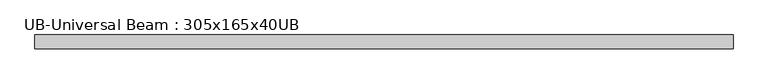
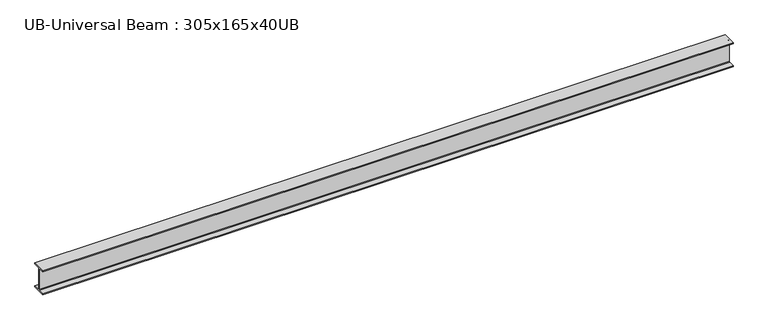
"""IFC4 building model written with IfcOpenShell, lengths in millimetres: beam geometry, UB-Universal Beam : 305x165x40UB."""

from ifc_helpers import new_model, si_unit, point, frame, frame_2d, origin, place, context, project, spatial, polyline, circle_curve, trimmed, segment, composite_curve, outline, extrude, source, transform, mapped, element, save


def ub_universal_beam_305x165x40ub_1699d391(model_context):
    return source(origin(), model_context, "Body", "SweptSolid", [
        extrude(outline(composite_curve([segment(polyline([(82.5, -141.5), (82.5, -151.7), (-82.5, -151.7), (-82.5, -141.5), (-11.9, -141.5)]), True, "CONTINUOUS"), segment(trimmed(circle_curve(frame_2d((-11.9, -132.6)), 8.9), [point((-11.9, -141.5))], [point((-3.0, -132.6))], True, "CARTESIAN"), True, "CONTINUOUS"), segment(polyline([(-3.0, -132.6), (-3.0, 132.6)]), True, "CONTINUOUS"), segment(trimmed(circle_curve(frame_2d((-11.9, 132.6)), 8.9), [point((-3.0, 132.6))], [point((-11.9, 141.5))], True, "CARTESIAN"), True, "CONTINUOUS"), segment(polyline([(-11.9, 141.5), (-82.5, 141.5), (-82.5, 151.7), (82.5, 151.7), (82.5, 141.5), (11.9, 141.5)]), True, "CONTINUOUS"), segment(trimmed(circle_curve(frame_2d((11.9, 132.6)), 8.9), [point((11.9, 141.5))], [point((3.0, 132.6))], True, "CARTESIAN"), True, "CONTINUOUS"), segment(polyline([(3.0, 132.6), (3.0, -132.6)]), True, "CONTINUOUS"), segment(trimmed(circle_curve(frame_2d((11.9, -132.6)), 8.9), [point((3.0, -132.6))], [point((11.9, -141.5))], True, "CARTESIAN"), True, "CONTINUOUS"), segment(polyline([(11.9, -141.5), (82.5, -141.5)]), True, "CONTINUOUS")], self_intersect=False)), frame((-4158.5910773, 0.0, 0.0), z_axis=(1.0, 0.0, 0.0), x_axis=(0.0, 1.0, 0.0)), (0.0, 0.0, 1.0), 8324.7307672),
    ])


if __name__ == "__main__":
    model = new_model("IFC4")
    model_context = context("Model", 3, world=origin())
    ifc_project = project(units=[si_unit("LENGTHUNIT", "METRE", prefix="MILLI")], contexts=[model_context])
    site = spatial("IfcSite", under=ifc_project)
    building = spatial("IfcBuilding", under=site)
    placement = place(None, origin())
    ub_universal_beam_305x165x40ub_shape = ub_universal_beam_305x165x40ub_1699d391(model_context)
    element("IfcBeam", 1, ObjectType="UB-Universal Beam : 305x165x40UB", at=placement, inside=building, context=model_context, shape_type="MappedRepresentation", body=[
        mapped(ub_universal_beam_305x165x40ub_shape, transform((0.0, 0.0, 0.0), x_axis=(1.0, 0.0, 0.0), y_axis=(0.0, 1.0, 0.0), z_axis=(0.0, 0.0, 1.0))),
    ])
    save(model, "model.ifc")
